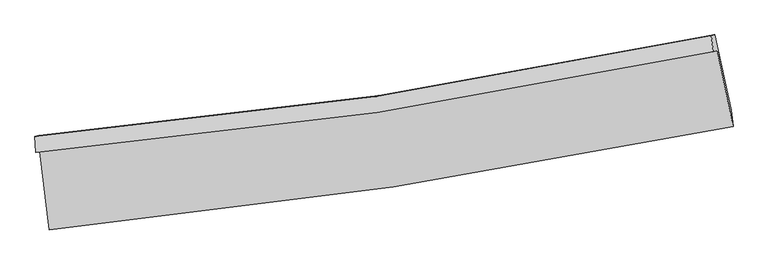
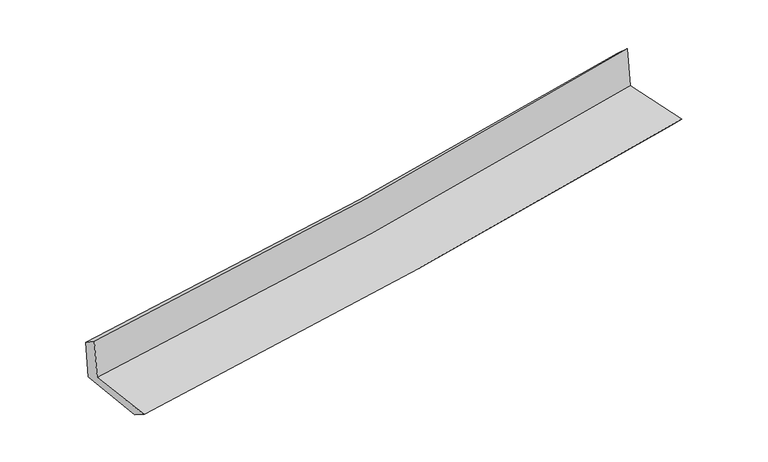
"""IFC4 building model written with IfcOpenShell, lengths in millimetres: proxy geometry."""

from ifc_helpers import new_model, si_unit, frame, origin, place, context, project, spatial, source, transform, mapped, element, save
from ifc_brep_helpers import plane_surface, spline_curve, spline_surface, advanced_brep


def generic_models_c8d2eaa2(model_context):
    return source(origin(), model_context, "Body", "AdvancedBrep", [
        advanced_brep(
        [(-2936.4327297, -1900.6120485, 1616.893814), (-2856.8835124, -2575.3741534, 1610.3865348), (3009.3561892, -1689.6675571, 2132.2465758), (2873.5401198, -1034.124602, 2133.6825507), (-2969.2138656, -1911.2879528, 2015.2493083), (2840.0329147, -1045.0369669, 2540.8612177), (-2977.8210552, -1773.6469685, 1927.383895), (2822.3075406, -908.4845751, 2420.8748268), (-2946.399087, -1765.3298303, 1548.1707593), (2853.8308358, -900.1570041, 2042.373043), (-2865.9721212, -2431.1467303, 1519.1306336), (2992.3067693, -1546.0248438, 1987.8566324)],
        [
            (0, 1),
            (1, 2, spline_curve(3, [(-2856.8835124, -2575.3741534, 1610.3865348), (-1870.006866028, -2477.666597398, 1711.973425703), (-886.48901732, -2354.754020782, 1806.346871879), (1068.890454424, -2059.265132738, 1980.227710821), (2040.785839668, -1886.942177098, 2059.807611468), (3009.3561892, -1689.6675571, 2132.2465758)], [4, 2, 4], [0.0, 9.750927252195702, 19.452723469398602])),
            (2, 3),
            (3, 0, spline_curve(3, [(2873.5401198, -1034.124602, 2133.6825507), (1915.233360961, -1237.721068612, 2061.980240197), (953.147981468, -1411.619415494, 1983.190073327), (-983.471267553, -1700.750115382, 1810.999130081), (-1958.043504604, -1815.680917631, 1717.526384903), (-2936.4327297, -1900.6120485, 1616.893814)], [4, 2, 4], [0.0, 9.7017962172029, 19.452723469398602])),
            (4, 0),
            (3, 5),
            (5, 4, spline_curve(3, [(2840.0329147, -1045.0369669, 2540.8612177), (1882.24562948, -1248.464255446, 2462.846275082), (920.480843674, -1422.258193784, 2380.16026546), (-1015.89436299, -1711.309415958, 2205.003725047), (-1990.545170325, -1826.265806128, 2112.485765051), (-2969.2138656, -1911.2879528, 2015.2493083)], [4, 2, 4], [0.0, 9.654517187101101, 19.35792598263621])),
            (6, 4),
            (5, 7),
            (7, 6, spline_curve(3, [(2822.3075406, -908.4845751, 2420.8748268), (1865.606700652, -1111.710419043, 2351.938593659), (905.14252429, -1285.31312225, 2276.466647669), (-1028.195461608, -1574.001376557, 2112.036033319), (-2001.107483981, -1688.78613781, 2023.011001977), (-2977.8210552, -1773.6469685, 1927.383895)], [4, 2, 4], [0.0, 9.644729121347051, 19.338300283214057])),
            (8, 6),
            (7, 9),
            (9, 8, spline_curve(3, [(2853.8308358, -900.1570041, 2042.373043), (1897.409304414, -1103.307640485, 1969.772943481), (937.07673396, -1276.873509785, 1892.405457157), (-996.293528197, -1565.564852021, 1727.719770203), (-1969.370932048, -1680.389924584, 1640.353162006), (-2946.399087, -1765.3298303, 1548.1707593)], [4, 2, 4], [0.0, 9.635138702692835, 19.319070878899687])),
            (10, 8),
            (9, 11),
            (11, 10, spline_curve(3, [(2992.3067693, -1546.0248438, 1987.8566324), (2024.45151714, -1743.289684887, 1930.206742007), (1053.574637836, -1915.559258977, 1862.445552949), (-899.154311003, -2210.853686801, 1706.306222232), (-1881.037062025, -2333.624741533, 1617.825411773), (-2865.9721212, -2431.1467303, 1519.1306336)], [4, 2, 4], [0.0, 9.682080849368685, 19.413192892792956])),
            (1, 10),
            (11, 2),
        ],
        [
            spline_surface(3, 3, [[(-2936.4327297, -1900.6120485, 1616.893814), (-1958.043504491, -1815.6809176, 1717.526384903), (-983.471267447, -1700.750115423, 1810.999130211), (953.147981363, -1411.619415453, 1983.190073197), (1915.233360879, -1237.72106877, 2061.98024013), (2873.5401198, -1034.124602, 2133.6825507)], [(-2909.916323939, -2125.532750135, 1614.724720942), (-1928.697958388, -2036.342810861, 1715.675398516), (-951.143850752, -1918.751417248, 1809.448377487), (991.728805737, -1627.50132116, 1982.202619079), (1957.084187124, -1454.128104816, 2061.256030611), (2918.81214295, -1252.63892034, 2133.203892428)], [(-2883.399918161, -2350.453451765, 1612.555627858), (-1899.352412268, -2257.004704118, 1713.824412104), (-918.816434067, -2136.752719096, 1807.897624673), (1030.309630102, -1843.383226892, 1981.21516487), (1998.935013319, -1670.535140941, 2060.531821009), (2964.08416605, -1471.15323876, 2132.725234072)], [(-2856.8835124, -2575.3741534, 1610.3865348), (-1870.006866165, -2477.666597379, 1711.973425717), (-886.489017372, -2354.754020921, 1806.346871948), (1068.890454476, -2059.2651326, 1980.227710752), (2040.785839565, -1886.942176987, 2059.807611489), (3009.3561892, -1689.6675571, 2132.2465758)]], [4, 4], [4, 2, 4], [0.0, 2.1636420537051357], [0.0, 9.750927252195702, 19.452723469398602]),
            spline_surface(3, 3, [[(-2969.2138656, -1911.2879528, 2015.2493083), (-1990.54517021, -1826.265806234, 2112.485764983), (-1015.89436284, -1711.309415937, 2205.003725097), (920.480843525, -1422.258193804, 2380.16026541), (1882.24562959, -1248.464255496, 2462.846275159), (2840.0329147, -1045.0369669, 2540.8612177)], [(-2958.286820288, -1907.729318019, 1882.464143507), (-1979.711281625, -1822.737510009, 1980.832638264), (-1005.086664384, -1707.789649108, 2073.668860129), (931.369889463, -1418.711934363, 2247.836867999), (1893.241540003, -1244.883193267, 2329.224263484), (2851.20198305, -1041.399511946, 2405.134995368)], [(-2947.359775012, -1904.170683281, 1749.678978793), (-1968.877393076, -1819.209213826, 1849.179511623), (-994.278965904, -1704.269882252, 1942.333995179), (942.258935425, -1415.165674894, 2115.513470608), (1904.237450466, -1241.302131, 2195.602251804), (2862.37105145, -1037.762056954, 2269.408773032)], [(-2936.4327297, -1900.6120485, 1616.893814), (-1958.043504491, -1815.6809176, 1717.526384903), (-983.471267447, -1700.750115423, 1810.999130211), (953.147981363, -1411.619415453, 1983.190073197), (1915.233360879, -1237.72106877, 2061.98024013), (2873.5401198, -1034.124602, 2133.6825507)]], [4, 4], [4, 2, 4], [0.0, 1.3023565406213529], [0.0, 9.70340879553511, 19.35792598263621]),
            spline_surface(3, 3, [[(-2977.8210552, -1773.6469685, 1927.383895), (-2001.107484114, -1688.786137797, 2023.011002055), (-1028.195461724, -1574.001376561, 2112.036033282), (905.142524405, -1285.313122246, 2276.466647705), (1865.606700627, -1111.710419075, 2351.938593741), (2822.3075406, -908.4845751, 2420.8748268)], [(-2974.951991992, -1819.527296599, 1956.672366114), (-1997.586712805, -1734.612693942, 2052.835923046), (-1024.095095428, -1619.770723016, 2143.025263875), (910.255297446, -1330.961479428, 2311.031186927), (1871.153010294, -1157.29503123, 2388.907820862), (2828.215998646, -954.002039048, 2460.870290415)], [(-2972.082928808, -1865.407624701, 1985.960837186), (-1994.065941519, -1780.43925009, 2082.660843993), (-1019.994729136, -1665.540069482, 2174.014494505), (915.368070484, -1376.609836622, 2345.595726187), (1876.699319923, -1202.879643341, 2425.877048038), (2834.124456654, -999.519502952, 2500.865754085)], [(-2969.2138656, -1911.2879528, 2015.2493083), (-1990.54517021, -1826.265806234, 2112.485764983), (-1015.89436284, -1711.309415937, 2205.003725097), (920.480843525, -1422.258193804, 2380.16026541), (1882.24562959, -1248.464255496, 2462.846275159), (2840.0329147, -1045.0369669, 2540.8612177)]], [4, 4], [4, 2, 4], [0.0, 0.5554057270715028], [0.0, 9.693571161867006, 19.338300283214057]),
            spline_surface(3, 3, [[(-2946.399087, -1765.3298303, 1548.1707593), (-1969.370931908, -1680.38992468, 1640.353161874), (-996.293528131, -1565.564852032, 1727.719770138), (937.076733894, -1276.873509774, 1892.405457222), (1897.409304422, -1103.307640388, 1969.772943541), (2853.8308358, -900.1570041, 2042.373043)], [(-2956.873076409, -1768.102209708, 1674.575137853), (-1979.949782653, -1683.188662394, 1767.905775254), (-1006.927505995, -1568.377026877, 1855.825191191), (926.431997399, -1279.686713933, 2020.425854055), (1886.808436494, -1106.108566612, 2097.161493604), (2843.323070737, -902.932861095, 2168.540304263)], [(-2967.347065791, -1770.874589092, 1800.979516447), (-1990.52863337, -1685.987400083, 1895.458388675), (-1017.561483861, -1571.189201716, 1983.930612229), (915.787260901, -1282.499918086, 2148.446250872), (1876.207568555, -1108.909492851, 2224.550043678), (2832.815305663, -905.708718105, 2294.707565537)], [(-2977.8210552, -1773.6469685, 1927.383895), (-2001.107484114, -1688.786137797, 2023.011002055), (-1028.195461724, -1574.001376561, 2112.036033282), (905.142524405, -1285.313122246, 2276.466647705), (1865.606700627, -1111.710419075, 2351.938593741), (2822.3075406, -908.4845751, 2420.8748268)]], [4, 4], [4, 2, 4], [0.0, 1.2651090736049067], [0.0, 9.683932176206852, 19.319070878899687]),
            spline_surface(3, 3, [[(-2865.9721212, -2431.1467303, 1519.1306336), (-1881.037061977, -2333.624741626, 1617.825411635), (-899.154311034, -2210.853686785, 1706.306222248), (1053.574637867, -1915.559258993, 1862.445552933), (2024.451517143, -1743.289685025, 1930.206741923), (2992.3067693, -1546.0248438, 1987.8566324)], [(-2892.781109809, -2209.207763627, 1528.810675507), (-1910.481685297, -2115.879802637, 1625.334661721), (-931.534050076, -1995.757408531, 1713.444071559), (1014.7420032, -1702.664009251, 1872.432187711), (1982.104112901, -1529.962336802, 1943.395475795), (2946.148124798, -1330.735563889, 2006.028769267)], [(-2919.590098391, -1987.268796973, 1538.490717393), (-1939.926308589, -1898.134863669, 1632.843911787), (-963.91378909, -1780.661130286, 1720.581920826), (975.909368562, -1489.768759517, 1882.418822444), (1939.756708664, -1316.634988612, 1956.584209668), (2899.989480302, -1115.446284011, 2024.200906133)], [(-2946.399087, -1765.3298303, 1548.1707593), (-1969.370931908, -1680.38992468, 1640.353161874), (-996.293528131, -1565.564852032, 1727.719770138), (937.076733894, -1276.873509774, 1892.405457222), (1897.409304422, -1103.307640388, 1969.772943541), (2853.8308358, -900.1570041, 2042.373043)]], [4, 4], [4, 2, 4], [0.0, 2.136901669087184], [0.0, 9.731112043424272, 19.413192892792956]),
            spline_surface(3, 3, [[(-2856.8835124, -2575.3741534, 1610.3865348), (-1870.006866165, -2477.666597379, 1711.973425717), (-886.489017372, -2354.754020921, 1806.346871948), (1068.890454476, -2059.2651326, 1980.227710752), (2040.785839565, -1886.942176987, 2059.807611489), (3009.3561892, -1689.6675571, 2132.2465758)], [(-2859.913048663, -2527.298345713, 1579.967901076), (-1873.683598098, -2429.652645474, 1680.590754365), (-890.710781914, -2306.787242879, 1772.999988683), (1063.785182285, -2011.363174734, 1940.966991447), (2035.34106541, -1839.058013015, 2016.607321626), (3003.673049219, -1641.786652682, 2084.116594659)], [(-2862.942584937, -2479.222537987, 1549.549267324), (-1877.360330044, -2381.638693531, 1649.208082986), (-894.932546493, -2258.820464827, 1739.653105513), (1058.679910058, -1963.461216859, 1901.706272237), (2029.896291299, -1791.173848997, 1973.407031785), (2997.989909281, -1593.905748218, 2035.986613541)], [(-2865.9721212, -2431.1467303, 1519.1306336), (-1881.037061977, -2333.624741626, 1617.825411635), (-899.154311034, -2210.853686785, 1706.306222248), (1053.574637867, -1915.559258993, 1862.445552933), (2024.451517143, -1743.289685025, 1930.206741923), (2992.3067693, -1546.0248438, 1987.8566324)]], [4, 4], [4, 2, 4], [0.0, 0.5935235262603528], [0.0, 9.788375209552443, 19.527430698784453]),
            plane_surface(frame((2898.5623949, -1187.2492582, 2209.6491411), z_axis=(0.9756399910392521, 0.20194638138613596, 0.08569869853138698), x_axis=(-0.08297711248269778, -0.02192022725304937, 0.9963103444415342))),
            plane_surface(frame((-2925.4537285, -2059.5662807, 1706.2024908), z_axis=(-0.9896610549063986, -0.11585802101478035, -0.08454534504095021), x_axis=(-0.11707604726271044, 0.9930767741441812, 0.00957704613786116))),
        ],
        [
            (0, [[1, 2, 3, 4]]),
            (1, [[5, -4, 6, 7]]),
            (2, [[8, -7, 9, 10]]),
            (3, [[11, -10, 12, 13]]),
            (4, [[14, -13, 15, 16]]),
            (5, [[17, -16, 18, -2]]),
            (6, [[-12, -9, -6, -3, -18, -15]]),
            (7, [[-1, -5, -8, -11, -14, -17]]),
        ],
    ),
    ])


if __name__ == "__main__":
    model = new_model("IFC4")
    model_context = context("Model", 3, world=origin())
    ifc_project = project(units=[si_unit("LENGTHUNIT", "METRE", prefix="MILLI")], contexts=[model_context])
    site = spatial("IfcSite", under=ifc_project)
    building = spatial("IfcBuilding", under=site)
    placement = place(None, origin())
    generic_models_shape = generic_models_c8d2eaa2(model_context)
    element("IfcBuildingElementProxy", 1, Name="Generic Models", at=placement, inside=building, context=model_context, shape_type="MappedRepresentation", body=[
        mapped(generic_models_shape, transform((0.0, 0.0, 0.0), x_axis=(1.0, 0.0, 0.0), y_axis=(0.0, 1.0, 0.0), z_axis=(0.0, 0.0, 1.0))),
    ])
    save(model, "model.ifc")
